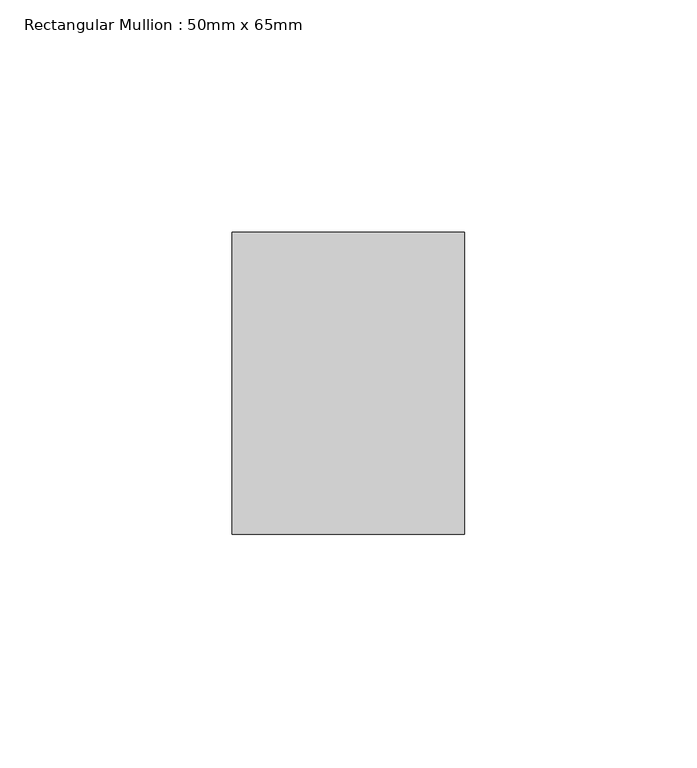
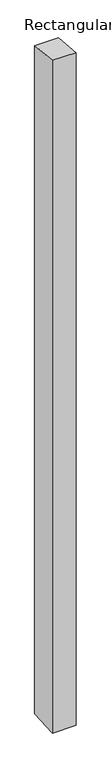
"""IFC4 building model written with IfcOpenShell, lengths in millimetres: member geometry, Rectangular Mullion : 50mm x 65mm."""

from ifc_helpers import new_model, si_unit, origin, place, context, project, spatial, faceted_brep, source, transform, mapped, element, save


def rectangular_mullion_50mm_x_65mm_d7c7c127(model_context):
    return source(origin(), model_context, "Body", "Brep", [
        faceted_brep([(-25.0, 32.5, -3.1469373), (25.0, 32.5, -3.146937), (25.0, 32.5, -1497.833433), (-25.0, 32.5, -1497.8334328), (-25.0, -32.5, 3.146937), (-25.0, -32.5, -1502.165389), (25.0, -32.5, 3.1469373), (25.0, -32.5, -1502.1653893)], [[[0, 1, 2, 3]], [[4, 0, 3, 5]], [[6, 4, 5, 7]], [[1, 6, 7, 2]], [[1, 0, 4, 6]], [[2, 7, 5, 3]]]),
    ])


if __name__ == "__main__":
    model = new_model("IFC4")
    model_context = context("Model", 3, world=origin())
    ifc_project = project(units=[si_unit("LENGTHUNIT", "METRE", prefix="MILLI")], contexts=[model_context])
    site = spatial("IfcSite", under=ifc_project)
    building = spatial("IfcBuilding", under=site)
    placement = place(None, origin())
    rectangular_mullion_50mm_x_65mm_shape = rectangular_mullion_50mm_x_65mm_d7c7c127(model_context)
    element("IfcMember", 1, ObjectType="Rectangular Mullion : 50mm x 65mm", at=placement, inside=building, context=model_context, shape_type="MappedRepresentation", body=[
        mapped(rectangular_mullion_50mm_x_65mm_shape, transform((0.0, 0.0, 0.0), x_axis=(1.0, 0.0, 0.0), y_axis=(0.0, 1.0, 0.0), z_axis=(0.0, 0.0, 1.0))),
    ])
    save(model, "model.ifc")
